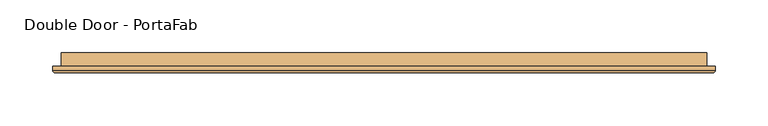
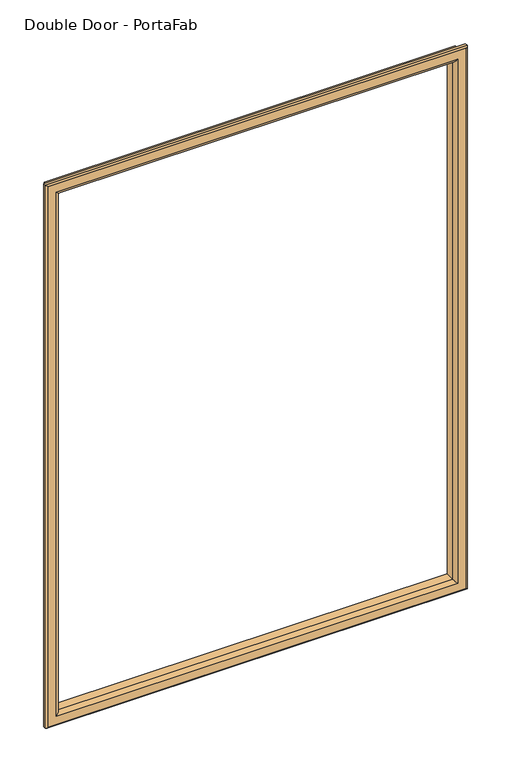
"""IFC4 building model written with IfcOpenShell, lengths in millimetres: door geometry, Double Door - PortaFab."""

from ifc_helpers import new_model, si_unit, frame, origin, place, context, project, spatial, ellipse_curve, source, transform, mapped, element, save
from ifc_brep_helpers import plane_surface, cylinder_surface, advanced_brep


def double_door_portafab_184cf675(model_context):
    return source(origin(), model_context, "Body", "AdvancedBrep", [
        advanced_brep(
        [(-762.0, -12.7, 1016.0), (-762.0, -25.4, 1016.0), (-762.0, -25.4, 1851.025), (-762.0, -12.7, 1851.025), (-750.0, -26.4, 1028.0), (-750.0, -12.7, 1028.0), (-750.0, -12.7, 1839.025), (-750.0, -26.4, 1839.025), (-755.0, -31.4, 1023.0), (-755.0, -31.4, 1844.025), (-770.0, -29.4, 1008.0), (-768.0, -31.4, 1010.0), (-768.0, -31.4, 1857.025), (-770.0, -29.4, 1859.025), (-770.0, -25.4, 1008.0), (-770.0, -25.4, 1859.025), (-152.4, -25.4, 1851.025), (-152.4, -12.7, 1851.025), (-164.4, -12.7, 1839.025), (-164.4, -26.4, 1839.025), (-159.4, -31.4, 1844.025), (-146.4, -31.4, 1857.025), (-144.4, -29.4, 1859.025), (-144.4, -25.4, 1859.025), (-152.4, -25.4, 1016.0), (-152.4, -12.7, 1016.0), (-164.4, -12.7, 1028.0), (-164.4, -26.4, 1028.0), (-159.4, -31.4, 1023.0), (-146.4, -31.4, 1010.0), (-144.4, -29.4, 1008.0), (-144.4, -25.4, 1008.0)],
        [
            (0, 1),
            (1, 2),
            (2, 3),
            (3, 0),
            (4, 5),
            (5, 6),
            (6, 7),
            (7, 4),
            (8, 4, ellipse_curve(frame((-755.0, -26.4, 1023.0), z_axis=(-0.7071067811865475, 0.0, 0.7071067811865475), x_axis=(-0.7071067811865474, 0.0, -0.7071067811865476)), 7.0710678, 5.0)),
            (7, 9, ellipse_curve(frame((-755.0, -26.4, 1844.025), z_axis=(-0.7071067811865475, 0.0, -0.7071067811865475), x_axis=(0.7071067811865474, 0.0, -0.7071067811865476)), 7.0710678, 5.0)),
            (9, 8),
            (10, 11, ellipse_curve(frame((-768.0, -29.4, 1010.0), z_axis=(-0.7071067811865475, 0.0, 0.7071067811865475), x_axis=(-0.7071067811865474, 0.0, -0.7071067811865476)), 2.8284271, 2.0)),
            (11, 12),
            (12, 13, ellipse_curve(frame((-768.0, -29.4, 1857.025), z_axis=(-0.7071067811865475, 0.0, -0.7071067811865475), x_axis=(0.7071067811865474, 0.0, -0.7071067811865476)), 2.8284271, 2.0)),
            (13, 10),
            (14, 10),
            (13, 15),
            (15, 14),
            (2, 16),
            (16, 17),
            (17, 3),
            (6, 18),
            (18, 19),
            (19, 7),
            (19, 20, ellipse_curve(frame((-159.4, -26.4, 1844.025), z_axis=(-0.7071067811865475, 0.0, 0.7071067811865475), x_axis=(-0.7071067811865476, 0.0, -0.7071067811865474)), 7.0710678, 5.0)),
            (20, 9),
            (12, 21),
            (21, 22, ellipse_curve(frame((-146.4, -29.4, 1857.025), z_axis=(-0.7071067811865475, 0.0, 0.7071067811865475), x_axis=(-0.7071067811865476, 0.0, -0.7071067811865474)), 2.8284271, 2.0)),
            (22, 13),
            (22, 23),
            (23, 15),
            (16, 24),
            (24, 25),
            (25, 17),
            (18, 26),
            (26, 27),
            (27, 19),
            (27, 28, ellipse_curve(frame((-159.4, -26.4, 1023.0), z_axis=(0.7071067811865475, 0.0, 0.7071067811865475), x_axis=(-0.7071067811865474, 0.0, 0.7071067811865476)), 7.0710678, 5.0)),
            (28, 20),
            (21, 29),
            (29, 30, ellipse_curve(frame((-146.4, -29.4, 1010.0), z_axis=(0.7071067811865475, 0.0, 0.7071067811865475), x_axis=(-0.7071067811865474, 0.0, 0.7071067811865476)), 2.8284271, 2.0)),
            (30, 22),
            (30, 31),
            (31, 23),
            (31, 14),
            (1, 24),
            (0, 25),
            (5, 26),
            (4, 27),
            (8, 28),
            (11, 29),
            (10, 30),
        ],
        [
            plane_surface(frame((-762.0, -25.4, 1016.0), z_axis=(-1.0, 0.0, 0.0), x_axis=(0.0, 0.0, 1.0))),
            plane_surface(frame((-750.0, -12.7, 1028.0), z_axis=(1.0, 0.0, 0.0), x_axis=(0.0, 0.0, 1.0))),
            cylinder_surface(frame((-755.0, -26.4, 1016.0), z_axis=(0.0, 0.0, -1.0), x_axis=(-1.0, 0.0, 0.0)), 5.0),
            cylinder_surface(frame((-768.0, -29.4, 1016.0), z_axis=(0.0, 0.0, -1.0), x_axis=(-1.0, 0.0, 0.0)), 2.0),
            plane_surface(frame((-770.0, -29.4, 1008.0), z_axis=(-1.0, 0.0, 0.0), x_axis=(0.0, 0.0, 1.0))),
            plane_surface(frame((-762.0, -25.4, 1851.025), z_axis=(0.0, 0.0, 1.0), x_axis=(1.0, 0.0, 0.0))),
            plane_surface(frame((-750.0, -12.7, 1839.025), z_axis=(0.0, 0.0, -1.0), x_axis=(1.0, 0.0, 0.0))),
            cylinder_surface(frame((-762.0, -26.4, 1844.025), z_axis=(-1.0, 0.0, 0.0), x_axis=(0.0, 0.0, 1.0)), 5.0),
            cylinder_surface(frame((-762.0, -29.4, 1857.025), z_axis=(-1.0, 0.0, 0.0), x_axis=(0.0, 0.0, 1.0)), 2.0),
            plane_surface(frame((-770.0, -29.4, 1859.025), z_axis=(0.0, 0.0, 1.0), x_axis=(1.0, 0.0, 0.0))),
            plane_surface(frame((-152.4, -25.4, 1851.025), z_axis=(1.0, 0.0, 0.0), x_axis=(0.0, 0.0, -1.0))),
            plane_surface(frame((-164.4, -12.7, 1839.025), z_axis=(-1.0, 0.0, 0.0), x_axis=(0.0, 0.0, -1.0))),
            cylinder_surface(frame((-159.4, -26.4, 1851.025), z_axis=(0.0, 0.0, 1.0), x_axis=(1.0, 0.0, 0.0)), 5.0),
            cylinder_surface(frame((-146.4, -29.4, 1851.025), z_axis=(0.0, 0.0, 1.0), x_axis=(1.0, 0.0, 0.0)), 2.0),
            plane_surface(frame((-144.4, -29.4, 1859.025), z_axis=(1.0, 0.0, 0.0), x_axis=(0.0, 0.0, -1.0))),
            plane_surface(frame((-144.4, -25.4, 1008.0), z_axis=(0.0, 1.0, 0.0), x_axis=(-1.0, 0.0, 0.0))),
            plane_surface(frame((-152.4, -25.4, 1016.0), z_axis=(0.0, 0.0, -1.0), x_axis=(-1.0, 0.0, 0.0))),
            plane_surface(frame((-152.4, -12.7, 1016.0), z_axis=(0.0, 1.0, 0.0), x_axis=(-1.0, 0.0, 0.0))),
            plane_surface(frame((-164.4, -12.7, 1028.0), z_axis=(0.0, 0.0, 1.0), x_axis=(-1.0, 0.0, 0.0))),
            cylinder_surface(frame((-152.4, -26.4, 1023.0), z_axis=(1.0, 0.0, 0.0), x_axis=(0.0, 0.0, -1.0)), 5.0),
            plane_surface(frame((-159.4, -31.4, 1023.0), z_axis=(0.0, -1.0, 0.0), x_axis=(-1.0, 0.0, 0.0))),
            cylinder_surface(frame((-152.4, -29.4, 1010.0), z_axis=(1.0, 0.0, 0.0), x_axis=(0.0, 0.0, -1.0)), 2.0),
            plane_surface(frame((-144.4, -29.4, 1008.0), z_axis=(0.0, 0.0, -1.0), x_axis=(-1.0, 0.0, 0.0))),
        ],
        [
            (0, [[1, 2, 3, 4]]),
            (1, [[5, 6, 7, 8]]),
            (2, [[9, -8, 10, 11]]),
            (3, [[12, 13, 14, 15]]),
            (4, [[16, -15, 17, 18]]),
            (5, [[-3, 19, 20, 21]]),
            (6, [[-7, 22, 23, 24]]),
            (7, [[-10, -24, 25, 26]]),
            (8, [[-14, 27, 28, 29]]),
            (9, [[-17, -29, 30, 31]]),
            (10, [[-20, 32, 33, 34]]),
            (11, [[-23, 35, 36, 37]]),
            (12, [[-25, -37, 38, 39]]),
            (13, [[-28, 40, 41, 42]]),
            (14, [[-30, -42, 43, 44]]),
            (15, [[-31, -44, 45, -18], [46, -32, -19, -2]]),
            (16, [[-33, -46, -1, 47]]),
            (17, [[-21, -34, -47, -4], [48, -35, -22, -6]]),
            (18, [[-36, -48, -5, 49]]),
            (19, [[-38, -49, -9, 50]]),
            (20, [[51, -40, -27, -13], [-26, -39, -50, -11]]),
            (21, [[-41, -51, -12, 52]]),
            (22, [[-43, -52, -16, -45]]),
        ],
    ),
    ])


if __name__ == "__main__":
    model = new_model("IFC4")
    model_context = context("Model", 3, world=origin())
    ifc_project = project(units=[si_unit("LENGTHUNIT", "METRE", prefix="MILLI")], contexts=[model_context])
    site = spatial("IfcSite", under=ifc_project)
    building = spatial("IfcBuilding", under=site)
    placement = place(None, origin())
    double_door_portafab_shape = double_door_portafab_184cf675(model_context)
    element("IfcDoor", 1, ObjectType="Double Door - PortaFab", at=placement, inside=building, context=model_context, shape_type="MappedRepresentation", body=[
        mapped(double_door_portafab_shape, transform((0.0, 0.0, 0.0), x_axis=(1.0, 0.0, 0.0), y_axis=(0.0, 1.0, 0.0), z_axis=(0.0, 0.0, 1.0))),
    ])
    save(model, "model.ifc")
